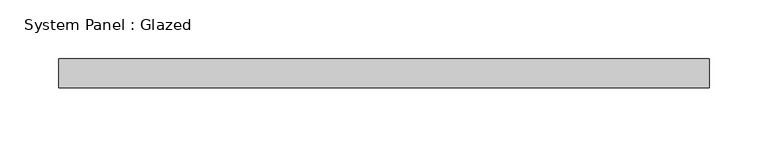
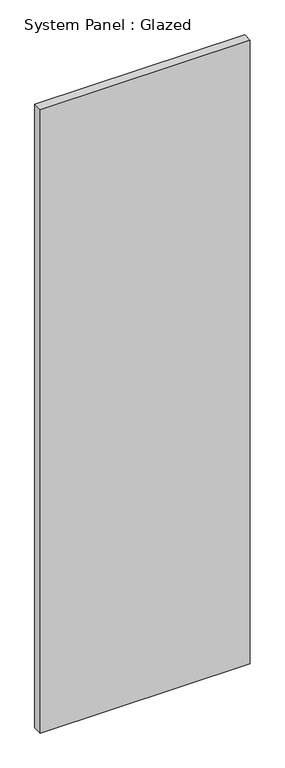
"""IFC4 building model written with IfcOpenShell, lengths in millimetres: plate geometry, System Panel : Glazed."""

from ifc_helpers import new_model, si_unit, origin, origin_with_axes, place, context, project, spatial, polyline, outline, extrude, source, transform, mapped, element, save


def system_panel_glazed_bef7eebd(model_context):
    return source(origin(), model_context, "Body", "SweptSolid", [
        extrude(outline(polyline([(278.0, 24.5), (-278.0, 24.5), (-278.0, 49.5), (278.0, 49.5), (278.0, 24.5)])), origin_with_axes(), (0.0, 0.0, 1.0), 1743.3333333),
    ])


if __name__ == "__main__":
    model = new_model("IFC4")
    model_context = context("Model", 3, world=origin())
    ifc_project = project(units=[si_unit("LENGTHUNIT", "METRE", prefix="MILLI")], contexts=[model_context])
    site = spatial("IfcSite", under=ifc_project)
    building = spatial("IfcBuilding", under=site)
    placement = place(None, origin())
    system_panel_glazed_shape = system_panel_glazed_bef7eebd(model_context)
    element("IfcPlate", 1, ObjectType="System Panel : Glazed", at=placement, inside=building, context=model_context, shape_type="MappedRepresentation", body=[
        mapped(system_panel_glazed_shape, transform((0.0, 0.0, 0.0), x_axis=(1.0, 0.0, 0.0), y_axis=(0.0, 1.0, 0.0), z_axis=(0.0, 0.0, 1.0))),
    ])
    save(model, "model.ifc")
